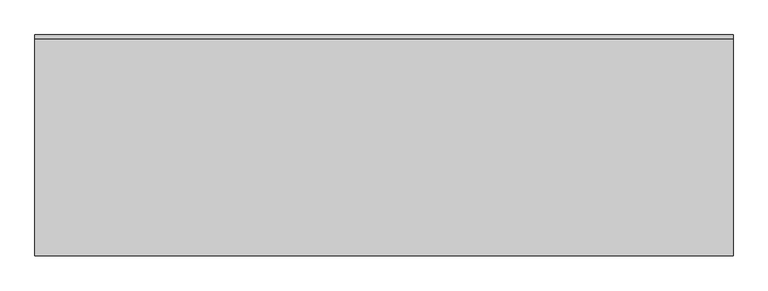
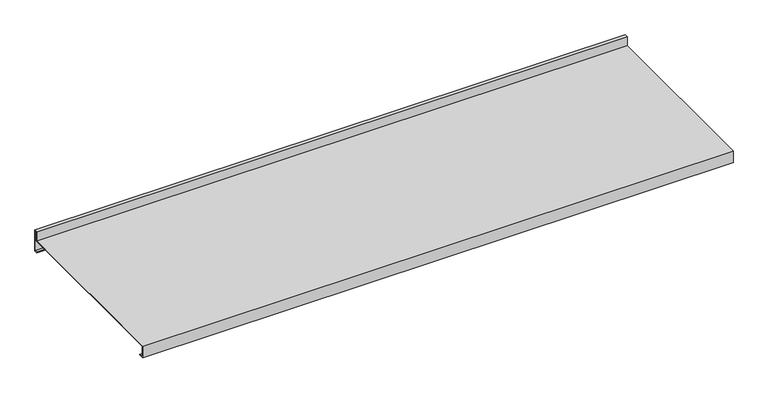
"""IFC4 building model written with IfcOpenShell, lengths in millimetres: furniture geometry."""

from ifc_helpers import new_model, si_unit, frame, origin, place, context, project, spatial, polyline, outline, extrude, source, transform, mapped, element, save


def furniture_2e549465(model_context):
    return source(origin(), model_context, "Body", "SweptSolid", [
        extrude(outline(polyline([(101.6000015, 1930.4), (101.6000015, 1885.95), (95.2500015, 1885.95), (95.2500015, 1887.5375), (100.0125015, 1887.5375), (100.0125015, 1928.8125), (96.8375015, 1928.8125), (96.8375015, 1909.7624998), (-272.7324985, 1909.7624998), (-272.7324985, 1887.5375), (-263.2074985, 1887.5375), (-263.2074985, 1885.95), (-274.3199985, 1885.95), (-274.3199985, 1911.3499998), (95.2500015, 1911.3499998), (95.2500015, 1930.4), (101.6000015, 1930.4)])), frame((-593.725, 0.0, 0.0), z_axis=(1.0, 0.0, 0.0), x_axis=(0.0, 1.0, 0.0)), (0.0, 0.0, 1.0), 1187.45),
    ])


if __name__ == "__main__":
    model = new_model("IFC4")
    model_context = context("Model", 3, world=origin())
    ifc_project = project(units=[si_unit("LENGTHUNIT", "METRE", prefix="MILLI")], contexts=[model_context])
    site = spatial("IfcSite", under=ifc_project)
    building = spatial("IfcBuilding", under=site)
    placement = place(None, origin())
    furniture_shape = furniture_2e549465(model_context)
    element("IfcFurniture", 1, at=placement, inside=building, context=model_context, shape_type="MappedRepresentation", body=[
        mapped(furniture_shape, transform((0.0, 0.0, 0.0), x_axis=(1.0, 0.0, 0.0), y_axis=(0.0, 1.0, 0.0), z_axis=(0.0, 0.0, 1.0))),
    ])
    save(model, "model.ifc")
